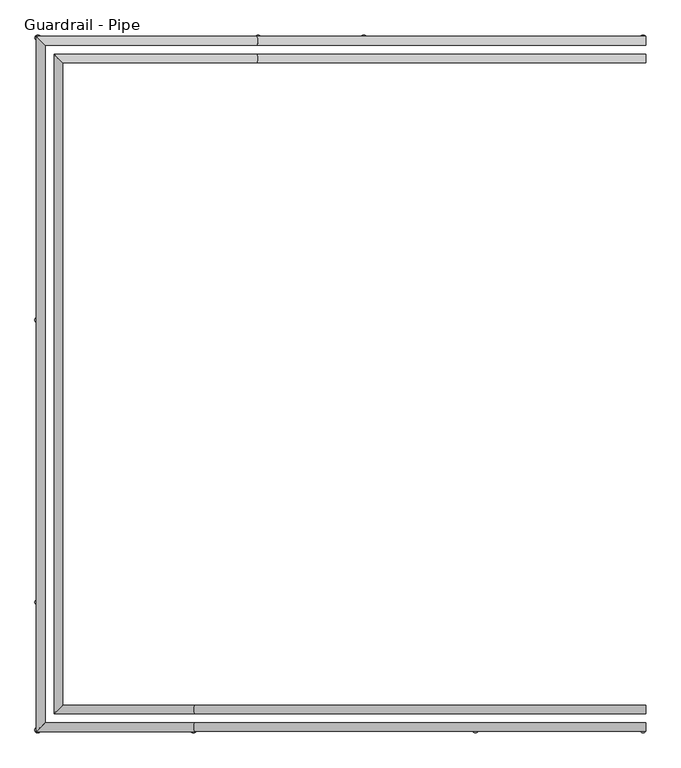
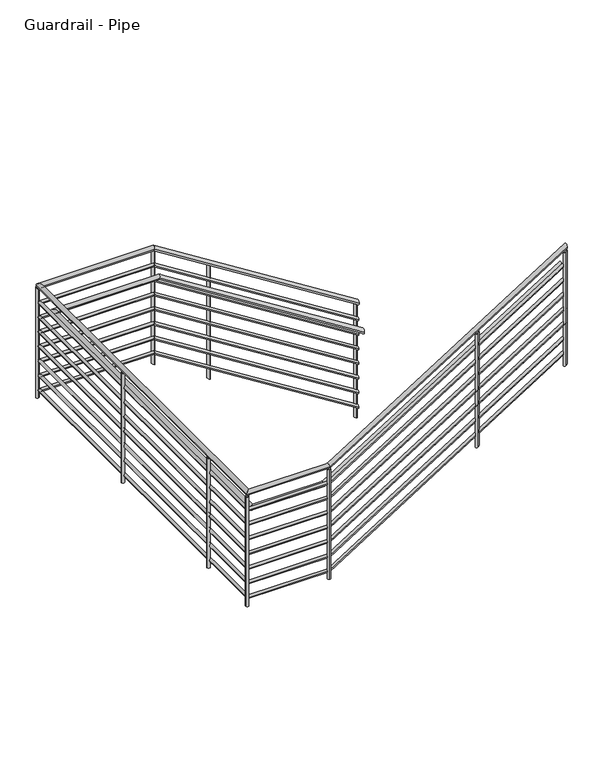
"""IFC4 building model written with IfcOpenShell, lengths in millimetres: railing geometry, Guardrail - Pipe."""

from ifc_helpers import new_model, si_unit, point, frame, frame_2d, origin, place, context, project, spatial, circle_curve, ellipse_curve, trimmed, segment, composite_curve, outline, extrude, source, transform, mapped, element, save
from ifc_brep_helpers import plane_surface, cylinder_surface, advanced_brep


def guardrail_pipe_dcdff0d4(model_context):
    return source(origin(), model_context, "Body", "SolidModel", [
        advanced_brep(
        [(42416.2404695, 56138.8027338, 1220.1372476), (42416.2404695, 56176.9027338, 1220.1372476), (40734.3446517, 56138.8027338, 2278.6730769), (40734.3446517, 56176.9027338, 2278.6730769), (39819.0904695, 56138.8027338, 2278.6730769), (39780.9904695, 56176.9027338, 2278.6730769), (39819.0904695, 53211.5729583, 2278.6730769), (39780.9904695, 53173.4729583, 2278.6730769), (40465.9362872, 53211.5729583, 2278.6730769), (40465.9362872, 53173.4729583, 2278.6730769), (42416.2404695, 53211.5729583, 3506.1372476), (42416.2404695, 53173.4729583, 3506.1372476)],
        [
            (0, 1, ellipse_curve(frame((42416.2404695, 56157.8527338, 1220.1372476), z_axis=(1.0, 0.0, 0.0), x_axis=(0.0, 0.0, -1.0)), 22.5089063, 19.05)),
            (1, 0, ellipse_curve(frame((42416.2404695, 56157.8527338, 1220.1372476), z_axis=(1.0, 0.0, 0.0), x_axis=(0.0, 0.0, -1.0)), 22.5089063, 19.05)),
            (0, 2),
            (2, 3, ellipse_curve(frame((40734.3446517, 56157.8527338, 2278.6730769), z_axis=(0.9608151901839626, 0.0, -0.27718977310094955), x_axis=(-0.27718977310094967, 0.0, -0.9608151901839624)), 19.8269138, 19.05)),
            (3, 1),
            (3, 2, ellipse_curve(frame((40734.3446517, 56157.8527338, 2278.6730769), z_axis=(0.9608151901839626, 0.0, -0.27718977310094955), x_axis=(-0.27718977310094967, 0.0, -0.9608151901839624)), 19.8269138, 19.05)),
            (2, 4),
            (4, 5, ellipse_curve(frame((39800.0404695, 56157.8527338, 2278.6730769), z_axis=(0.7071067811865475, 0.7071067811865475, 0.0), x_axis=(0.7071067811865476, -0.7071067811865474, 0.0)), 26.9407684, 19.05)),
            (5, 3),
            (5, 4, ellipse_curve(frame((39800.0404695, 56157.8527338, 2278.6730769), z_axis=(0.7071067811865475, 0.7071067811865475, 0.0), x_axis=(0.7071067811865476, -0.7071067811865474, 0.0)), 26.9407684, 19.05)),
            (4, 6),
            (6, 7, ellipse_curve(frame((39800.0404695, 53192.5229583, 2278.6730769), z_axis=(-0.7071067811865475, 0.7071067811865475, 0.0), x_axis=(0.7071067811865474, 0.7071067811865476, 0.0)), 26.9407684, 19.05)),
            (7, 5),
            (7, 6, ellipse_curve(frame((39800.0404695, 53192.5229583, 2278.6730769), z_axis=(-0.7071067811865475, 0.7071067811865475, 0.0), x_axis=(0.7071067811865474, 0.7071067811865476, 0.0)), 26.9407684, 19.05)),
            (6, 8),
            (8, 9, ellipse_curve(frame((40465.9362872, 53192.5229583, 2278.6730769), z_axis=(-0.9608151901839624, 0.0, -0.27718977310095), x_axis=(-0.2771897731009498, 0.0, 0.9608151901839626)), 19.8269138, 19.05)),
            (9, 7),
            (9, 8, ellipse_curve(frame((40465.9362872, 53192.5229583, 2278.6730769), z_axis=(-0.9608151901839624, 0.0, -0.27718977310095), x_axis=(-0.2771897731009498, 0.0, 0.9608151901839626)), 19.8269138, 19.05)),
            (10, 11, ellipse_curve(frame((42416.2404695, 53192.5229583, 3506.1372476), z_axis=(1.0, 0.0, 0.0), x_axis=(0.0, 0.0, -1.0)), 22.5089063, 19.05)),
            (11, 10, ellipse_curve(frame((42416.2404695, 53192.5229583, 3506.1372476), z_axis=(1.0, 0.0, 0.0), x_axis=(0.0, 0.0, -1.0)), 22.5089063, 19.05)),
            (8, 10),
            (11, 9),
        ],
        [
            plane_surface(frame((42416.2404695, 56157.8527338, 1242.6461538), z_axis=(1.0, 0.0, 0.0), x_axis=(0.0, -1.0, 0.0))),
            cylinder_surface(frame((42406.0933672, 56157.8527338, 1226.5235357), z_axis=(0.8463316593764881, 0.0, -0.5326562891180767), x_axis=(0.0, 1.0, 0.0)), 19.05),
            cylinder_surface(frame((40739.8404695, 56157.8527338, 2278.6730769), z_axis=(1.0, 0.0, 0.0), x_axis=(0.0, 1.0, 0.0)), 19.05),
            cylinder_surface(frame((39800.0404695, 56157.8527338, 2278.6730769), z_axis=(0.0, 1.0, 0.0), x_axis=(-1.0, 0.0, 0.0)), 19.05),
            cylinder_surface(frame((39800.0404695, 53192.5229583, 2278.6730769), z_axis=(-1.0, 0.0, 0.0), x_axis=(0.0, -1.0, 0.0)), 19.05),
            plane_surface(frame((42416.2404695, 53192.5229583, 3528.6461538), z_axis=(1.0, 0.0, 0.0), x_axis=(0.0, 1.0, 0.0))),
            cylinder_surface(frame((40470.5875718, 53192.5229583, 2281.6004588), z_axis=(-0.8463316593764877, 0.0, -0.5326562891180774), x_axis=(0.0, -1.0, 0.0)), 19.05),
        ],
        [
            (0, [[1, 2]]),
            (1, [[-1, 3, 4, 5]]),
            (1, [[-2, -5, 6, -3]]),
            (2, [[-4, 7, 8, 9]]),
            (2, [[-6, -9, 10, -7]]),
            (3, [[-8, 11, 12, 13]]),
            (3, [[-10, -13, 14, -11]]),
            (4, [[-12, 15, 16, 17]]),
            (4, [[-14, -17, 18, -15]]),
            (5, [[19, 20]]),
            (6, [[-16, 21, -20, 22]]),
            (6, [[-18, -22, -19, -21]]),
        ],
    ),
        advanced_brep(
        [(42416.2404695, 56145.1527338, 1075.2402163), (42416.2404695, 56170.5527338, 1075.2402163), (40736.176591, 56145.1527338, 2132.6230769), (40736.176591, 56170.5527338, 2132.6230769), (39812.7404695, 56145.1527338, 2132.6230769), (39787.3404695, 56170.5527338, 2132.6230769), (39812.7404695, 53205.2229583, 2132.6230769), (39787.3404695, 53179.8229583, 2132.6230769), (40464.104348, 53205.2229583, 2132.6230769), (40464.104348, 53179.8229583, 2132.6230769), (42416.2404695, 53205.2229583, 3361.2402163), (42416.2404695, 53179.8229583, 3361.2402163)],
        [
            (0, 1, ellipse_curve(frame((42416.2404695, 56157.8527338, 1075.2402163), z_axis=(1.0, 0.0, 0.0), x_axis=(0.0, 0.0, -1.0)), 15.0059375, 12.7)),
            (1, 0, ellipse_curve(frame((42416.2404695, 56157.8527338, 1075.2402163), z_axis=(1.0, 0.0, 0.0), x_axis=(0.0, 0.0, -1.0)), 15.0059375, 12.7)),
            (0, 2),
            (2, 3, ellipse_curve(frame((40736.176591, 56157.8527338, 2132.6230769), z_axis=(0.9608151901839626, 0.0, -0.27718977310094955), x_axis=(-0.27718977310094967, 0.0, -0.9608151901839624)), 13.2179426, 12.7)),
            (3, 1),
            (3, 2, ellipse_curve(frame((40736.176591, 56157.8527338, 2132.6230769), z_axis=(0.9608151901839626, 0.0, -0.27718977310094955), x_axis=(-0.27718977310094967, 0.0, -0.9608151901839624)), 13.2179426, 12.7)),
            (2, 4),
            (4, 5, ellipse_curve(frame((39800.0404695, 56157.8527338, 2132.6230769), z_axis=(0.7071067811865475, 0.7071067811865475, 0.0), x_axis=(0.7071067811865476, -0.7071067811865474, 0.0)), 17.9605122, 12.7)),
            (5, 3),
            (5, 4, ellipse_curve(frame((39800.0404695, 56157.8527338, 2132.6230769), z_axis=(0.7071067811865475, 0.7071067811865475, 0.0), x_axis=(0.7071067811865476, -0.7071067811865474, 0.0)), 17.9605122, 12.7)),
            (4, 6),
            (6, 7, ellipse_curve(frame((39800.0404695, 53192.5229583, 2132.6230769), z_axis=(-0.7071067811865475, 0.7071067811865475, 0.0), x_axis=(0.7071067811865474, 0.7071067811865476, 0.0)), 17.9605122, 12.7)),
            (7, 5),
            (7, 6, ellipse_curve(frame((39800.0404695, 53192.5229583, 2132.6230769), z_axis=(-0.7071067811865475, 0.7071067811865475, 0.0), x_axis=(0.7071067811865474, 0.7071067811865476, 0.0)), 17.9605122, 12.7)),
            (6, 8),
            (8, 9, ellipse_curve(frame((40464.104348, 53192.5229583, 2132.6230769), z_axis=(-0.9608151901839624, 0.0, -0.27718977310095), x_axis=(-0.2771897731009498, 0.0, 0.9608151901839626)), 13.2179426, 12.7)),
            (9, 7),
            (9, 8, ellipse_curve(frame((40464.104348, 53192.5229583, 2132.6230769), z_axis=(-0.9608151901839624, 0.0, -0.27718977310095), x_axis=(-0.2771897731009498, 0.0, 0.9608151901839626)), 13.2179426, 12.7)),
            (10, 11, ellipse_curve(frame((42416.2404695, 53192.5229583, 3361.2402163), z_axis=(1.0, 0.0, 0.0), x_axis=(0.0, 0.0, -1.0)), 15.0059375, 12.7)),
            (11, 10, ellipse_curve(frame((42416.2404695, 53192.5229583, 3361.2402163), z_axis=(1.0, 0.0, 0.0), x_axis=(0.0, 0.0, -1.0)), 15.0059375, 12.7)),
            (8, 10),
            (11, 9),
        ],
        [
            plane_surface(frame((42416.2404695, 56157.8527338, 1090.2461538), z_axis=(1.0, 0.0, 0.0), x_axis=(0.0, -1.0, 0.0))),
            cylinder_surface(frame((42409.4757346, 56157.8527338, 1079.4977418), z_axis=(0.8463316593764881, 0.0, -0.5326562891180767), x_axis=(0.0, 1.0, 0.0)), 12.7),
            cylinder_surface(frame((40739.8404695, 56157.8527338, 2132.6230769), z_axis=(1.0, 0.0, 0.0), x_axis=(0.0, 1.0, 0.0)), 12.7),
            cylinder_surface(frame((39800.0404695, 56157.8527338, 2132.6230769), z_axis=(0.0, 1.0, 0.0), x_axis=(-1.0, 0.0, 0.0)), 12.7),
            cylinder_surface(frame((39800.0404695, 53192.5229583, 2132.6230769), z_axis=(-1.0, 0.0, 0.0), x_axis=(0.0, -1.0, 0.0)), 12.7),
            plane_surface(frame((42416.2404695, 53192.5229583, 3376.2461538), z_axis=(1.0, 0.0, 0.0), x_axis=(0.0, 1.0, 0.0))),
            cylinder_surface(frame((40467.2052043, 53192.5229583, 2134.5746648), z_axis=(-0.8463316593764877, 0.0, -0.5326562891180774), x_axis=(0.0, -1.0, 0.0)), 12.7),
        ],
        [
            (0, [[1, 2]]),
            (1, [[-1, 3, 4, 5]]),
            (1, [[-2, -5, 6, -3]]),
            (2, [[-4, 7, 8, 9]]),
            (2, [[-6, -9, 10, -7]]),
            (3, [[-8, 11, 12, 13]]),
            (3, [[-10, -13, 14, -11]]),
            (4, [[-12, 15, 16, 17]]),
            (4, [[-14, -17, 18, -15]]),
            (5, [[19, 20]]),
            (6, [[-16, 21, -20, 22]]),
            (6, [[-18, -22, -19, -21]]),
        ],
    ),
        advanced_brep(
        [(42416.2404695, 56062.6027338, 1016.9372476), (42416.2404695, 56100.7027338, 1016.9372476), (40734.3446517, 56062.6027338, 2075.4730769), (40734.3446517, 56100.7027338, 2075.4730769), (39895.2904695, 56062.6027338, 2075.4730769), (39857.1904695, 56100.7027338, 2075.4730769), (39895.2904695, 53287.7729583, 2075.4730769), (39857.1904695, 53249.6729583, 2075.4730769), (40465.9362872, 53287.7729583, 2075.4730769), (40465.9362872, 53249.6729583, 2075.4730769), (42416.2404695, 53287.7729583, 3302.9372476), (42416.2404695, 53249.6729583, 3302.9372476)],
        [
            (0, 1, ellipse_curve(frame((42416.2404695, 56081.6527338, 1016.9372476), z_axis=(1.0, 0.0, 0.0), x_axis=(0.0, 0.0, -1.0)), 22.5089063, 19.05)),
            (1, 0, ellipse_curve(frame((42416.2404695, 56081.6527338, 1016.9372476), z_axis=(1.0, 0.0, 0.0), x_axis=(0.0, 0.0, -1.0)), 22.5089063, 19.05)),
            (0, 2),
            (2, 3, ellipse_curve(frame((40734.3446517, 56081.6527338, 2075.4730769), z_axis=(0.9608151901839626, 0.0, -0.27718977310094967), x_axis=(-0.2771897731009501, 0.0, -0.9608151901839626)), 19.8269138, 19.05)),
            (3, 1),
            (3, 2, ellipse_curve(frame((40734.3446517, 56081.6527338, 2075.4730769), z_axis=(0.9608151901839626, 0.0, -0.27718977310094967), x_axis=(-0.2771897731009501, 0.0, -0.9608151901839626)), 19.8269138, 19.05)),
            (2, 4),
            (4, 5, ellipse_curve(frame((39876.2404695, 56081.6527338, 2075.4730769), z_axis=(0.7071067811865475, 0.7071067811865475, 0.0), x_axis=(0.7071067811865476, -0.7071067811865474, 0.0)), 26.9407684, 19.05)),
            (5, 3),
            (5, 4, ellipse_curve(frame((39876.2404695, 56081.6527338, 2075.4730769), z_axis=(0.7071067811865475, 0.7071067811865475, 0.0), x_axis=(0.7071067811865476, -0.7071067811865474, 0.0)), 26.9407684, 19.05)),
            (4, 6),
            (6, 7, ellipse_curve(frame((39876.2404695, 53268.7229583, 2075.4730769), z_axis=(-0.7071067811865475, 0.7071067811865475, 0.0), x_axis=(0.7071067811865474, 0.7071067811865476, 0.0)), 26.9407684, 19.05)),
            (7, 5),
            (7, 6, ellipse_curve(frame((39876.2404695, 53268.7229583, 2075.4730769), z_axis=(-0.7071067811865475, 0.7071067811865475, 0.0), x_axis=(0.7071067811865474, 0.7071067811865476, 0.0)), 26.9407684, 19.05)),
            (6, 8),
            (8, 9, ellipse_curve(frame((40465.9362872, 53268.7229583, 2075.4730769), z_axis=(-0.9608151901839624, 0.0, -0.27718977310095), x_axis=(-0.2771897731009498, 0.0, 0.9608151901839626)), 19.8269138, 19.05)),
            (9, 7),
            (9, 8, ellipse_curve(frame((40465.9362872, 53268.7229583, 2075.4730769), z_axis=(-0.9608151901839624, 0.0, -0.27718977310095), x_axis=(-0.2771897731009498, 0.0, 0.9608151901839626)), 19.8269138, 19.05)),
            (10, 11, ellipse_curve(frame((42416.2404695, 53268.7229583, 3302.9372476), z_axis=(1.0, 0.0, 0.0), x_axis=(0.0, 0.0, -1.0)), 22.5089063, 19.05)),
            (11, 10, ellipse_curve(frame((42416.2404695, 53268.7229583, 3302.9372476), z_axis=(1.0, 0.0, 0.0), x_axis=(0.0, 0.0, -1.0)), 22.5089063, 19.05)),
            (8, 10),
            (11, 9),
        ],
        [
            plane_surface(frame((42416.2404695, 56081.6527338, 1039.4461538), z_axis=(1.0, 0.0, 0.0), x_axis=(0.0, -1.0, 0.0))),
            cylinder_surface(frame((42406.0933672, 56081.6527338, 1023.3235357), z_axis=(0.8463316593764881, 0.0, -0.5326562891180768), x_axis=(0.0, 1.0, 0.0)), 19.05),
            cylinder_surface(frame((40739.8404695, 56081.6527338, 2075.4730769), z_axis=(1.0, 0.0, 0.0), x_axis=(0.0, 1.0, 0.0)), 19.05),
            cylinder_surface(frame((39876.2404695, 56081.6527338, 2075.4730769), z_axis=(0.0, 1.0, 0.0), x_axis=(-1.0, 0.0, 0.0)), 19.05),
            cylinder_surface(frame((39876.2404695, 53268.7229583, 2075.4730769), z_axis=(-1.0, 0.0, 0.0), x_axis=(0.0, -1.0, 0.0)), 19.05),
            plane_surface(frame((42416.2404695, 53268.7229583, 3325.4461538), z_axis=(1.0, 0.0, 0.0), x_axis=(0.0, 1.0, 0.0))),
            cylinder_surface(frame((40470.5875718, 53268.7229583, 2078.4004588), z_axis=(-0.8463316593764877, 0.0, -0.5326562891180774), x_axis=(0.0, -1.0, 0.0)), 19.05),
        ],
        [
            (0, [[1, 2]]),
            (1, [[-1, 3, 4, 5]]),
            (1, [[-2, -5, 6, -3]]),
            (2, [[-4, 7, 8, 9]]),
            (2, [[-6, -9, 10, -7]]),
            (3, [[-8, 11, 12, 13]]),
            (3, [[-10, -13, 14, -11]]),
            (4, [[-12, 15, 16, 17]]),
            (4, [[-14, -17, 18, -15]]),
            (5, [[19, 20]]),
            (6, [[-16, 21, -20, 22]]),
            (6, [[-18, -22, -19, -21]]),
        ],
    ),
        advanced_brep(
        [(42416.2404695, 56145.1527338, 948.2402163), (42416.2404695, 56170.5527338, 948.2402163), (40736.176591, 56145.1527338, 2005.6230769), (40736.176591, 56170.5527338, 2005.6230769), (39812.7404695, 56145.1527338, 2005.6230769), (39787.3404695, 56170.5527338, 2005.6230769), (39812.7404695, 53205.2229583, 2005.6230769), (39787.3404695, 53179.8229583, 2005.6230769), (40464.104348, 53205.2229583, 2005.6230769), (40464.104348, 53179.8229583, 2005.6230769), (42416.2404695, 53205.2229583, 3234.2402163), (42416.2404695, 53179.8229583, 3234.2402163)],
        [
            (0, 1, ellipse_curve(frame((42416.2404695, 56157.8527338, 948.2402163), z_axis=(1.0, 0.0, 0.0), x_axis=(0.0, 0.0, -1.0)), 15.0059375, 12.7)),
            (1, 0, ellipse_curve(frame((42416.2404695, 56157.8527338, 948.2402163), z_axis=(1.0, 0.0, 0.0), x_axis=(0.0, 0.0, -1.0)), 15.0059375, 12.7)),
            (0, 2),
            (2, 3, ellipse_curve(frame((40736.176591, 56157.8527338, 2005.6230769), z_axis=(0.9608151901839626, 0.0, -0.27718977310094967), x_axis=(-0.2771897731009501, 0.0, -0.9608151901839626)), 13.2179426, 12.7)),
            (3, 1),
            (3, 2, ellipse_curve(frame((40736.176591, 56157.8527338, 2005.6230769), z_axis=(0.9608151901839626, 0.0, -0.27718977310094967), x_axis=(-0.2771897731009501, 0.0, -0.9608151901839626)), 13.2179426, 12.7)),
            (2, 4),
            (4, 5, ellipse_curve(frame((39800.0404695, 56157.8527338, 2005.6230769), z_axis=(0.7071067811865475, 0.7071067811865475, 0.0), x_axis=(0.7071067811865476, -0.7071067811865474, 0.0)), 17.9605122, 12.7)),
            (5, 3),
            (5, 4, ellipse_curve(frame((39800.0404695, 56157.8527338, 2005.6230769), z_axis=(0.7071067811865475, 0.7071067811865475, 0.0), x_axis=(0.7071067811865476, -0.7071067811865474, 0.0)), 17.9605122, 12.7)),
            (4, 6),
            (6, 7, ellipse_curve(frame((39800.0404695, 53192.5229583, 2005.6230769), z_axis=(-0.7071067811865475, 0.7071067811865475, 0.0), x_axis=(0.7071067811865474, 0.7071067811865476, 0.0)), 17.9605122, 12.7)),
            (7, 5),
            (7, 6, ellipse_curve(frame((39800.0404695, 53192.5229583, 2005.6230769), z_axis=(-0.7071067811865475, 0.7071067811865475, 0.0), x_axis=(0.7071067811865474, 0.7071067811865476, 0.0)), 17.9605122, 12.7)),
            (6, 8),
            (8, 9, ellipse_curve(frame((40464.104348, 53192.5229583, 2005.6230769), z_axis=(-0.9608151901839624, 0.0, -0.27718977310095), x_axis=(-0.2771897731009498, 0.0, 0.9608151901839626)), 13.2179426, 12.7)),
            (9, 7),
            (9, 8, ellipse_curve(frame((40464.104348, 53192.5229583, 2005.6230769), z_axis=(-0.9608151901839624, 0.0, -0.27718977310095), x_axis=(-0.2771897731009498, 0.0, 0.9608151901839626)), 13.2179426, 12.7)),
            (10, 11, ellipse_curve(frame((42416.2404695, 53192.5229583, 3234.2402163), z_axis=(1.0, 0.0, 0.0), x_axis=(0.0, 0.0, -1.0)), 15.0059375, 12.7)),
            (11, 10, ellipse_curve(frame((42416.2404695, 53192.5229583, 3234.2402163), z_axis=(1.0, 0.0, 0.0), x_axis=(0.0, 0.0, -1.0)), 15.0059375, 12.7)),
            (8, 10),
            (11, 9),
        ],
        [
            plane_surface(frame((42416.2404695, 56157.8527338, 963.2461538), z_axis=(1.0, 0.0, 0.0), x_axis=(0.0, -1.0, 0.0))),
            cylinder_surface(frame((42409.4757346, 56157.8527338, 952.4977418), z_axis=(0.8463316593764881, 0.0, -0.5326562891180768), x_axis=(0.0, 1.0, 0.0)), 12.7),
            cylinder_surface(frame((40739.8404695, 56157.8527338, 2005.6230769), z_axis=(1.0, 0.0, 0.0), x_axis=(0.0, 1.0, 0.0)), 12.7),
            cylinder_surface(frame((39800.0404695, 56157.8527338, 2005.6230769), z_axis=(0.0, 1.0, 0.0), x_axis=(-1.0, 0.0, 0.0)), 12.7),
            cylinder_surface(frame((39800.0404695, 53192.5229583, 2005.6230769), z_axis=(-1.0, 0.0, 0.0), x_axis=(0.0, -1.0, 0.0)), 12.7),
            plane_surface(frame((42416.2404695, 53192.5229583, 3249.2461538), z_axis=(1.0, 0.0, 0.0), x_axis=(0.0, 1.0, 0.0))),
            cylinder_surface(frame((40467.2052043, 53192.5229583, 2007.5746648), z_axis=(-0.8463316593764877, 0.0, -0.5326562891180774), x_axis=(0.0, -1.0, 0.0)), 12.7),
        ],
        [
            (0, [[1, 2]]),
            (1, [[-1, 3, 4, 5]]),
            (1, [[-2, -5, 6, -3]]),
            (2, [[-4, 7, 8, 9]]),
            (2, [[-6, -9, 10, -7]]),
            (3, [[-8, 11, 12, 13]]),
            (3, [[-10, -13, 14, -11]]),
            (4, [[-12, 15, 16, 17]]),
            (4, [[-14, -17, 18, -15]]),
            (5, [[19, 20]]),
            (6, [[-16, 21, -20, 22]]),
            (6, [[-18, -22, -19, -21]]),
        ],
    ),
        advanced_brep(
        [(42416.2404695, 56145.1527338, 821.2402163), (42416.2404695, 56170.5527338, 821.2402163), (40736.176591, 56145.1527338, 1878.6230769), (40736.176591, 56170.5527338, 1878.6230769), (39812.7404695, 56145.1527338, 1878.6230769), (39787.3404695, 56170.5527338, 1878.6230769), (39812.7404695, 53205.2229583, 1878.6230769), (39787.3404695, 53179.8229583, 1878.6230769), (40464.104348, 53205.2229583, 1878.6230769), (40464.104348, 53179.8229583, 1878.6230769), (42416.2404695, 53205.2229583, 3107.2402163), (42416.2404695, 53179.8229583, 3107.2402163)],
        [
            (0, 1, ellipse_curve(frame((42416.2404695, 56157.8527338, 821.2402163), z_axis=(1.0, 0.0, 0.0), x_axis=(0.0, 0.0, -1.0)), 15.0059375, 12.7)),
            (1, 0, ellipse_curve(frame((42416.2404695, 56157.8527338, 821.2402163), z_axis=(1.0, 0.0, 0.0), x_axis=(0.0, 0.0, -1.0)), 15.0059375, 12.7)),
            (0, 2),
            (2, 3, ellipse_curve(frame((40736.176591, 56157.8527338, 1878.6230769), z_axis=(0.9608151901839626, 0.0, -0.27718977310094955), x_axis=(-0.27718977310094967, 0.0, -0.9608151901839624)), 13.2179426, 12.7)),
            (3, 1),
            (3, 2, ellipse_curve(frame((40736.176591, 56157.8527338, 1878.6230769), z_axis=(0.9608151901839626, 0.0, -0.27718977310094955), x_axis=(-0.27718977310094967, 0.0, -0.9608151901839624)), 13.2179426, 12.7)),
            (2, 4),
            (4, 5, ellipse_curve(frame((39800.0404695, 56157.8527338, 1878.6230769), z_axis=(0.7071067811865475, 0.7071067811865475, 0.0), x_axis=(0.7071067811865476, -0.7071067811865474, 0.0)), 17.9605122, 12.7)),
            (5, 3),
            (5, 4, ellipse_curve(frame((39800.0404695, 56157.8527338, 1878.6230769), z_axis=(0.7071067811865475, 0.7071067811865475, 0.0), x_axis=(0.7071067811865476, -0.7071067811865474, 0.0)), 17.9605122, 12.7)),
            (4, 6),
            (6, 7, ellipse_curve(frame((39800.0404695, 53192.5229583, 1878.6230769), z_axis=(-0.7071067811865475, 0.7071067811865475, 0.0), x_axis=(0.7071067811865474, 0.7071067811865476, 0.0)), 17.9605122, 12.7)),
            (7, 5),
            (7, 6, ellipse_curve(frame((39800.0404695, 53192.5229583, 1878.6230769), z_axis=(-0.7071067811865475, 0.7071067811865475, 0.0), x_axis=(0.7071067811865474, 0.7071067811865476, 0.0)), 17.9605122, 12.7)),
            (6, 8),
            (8, 9, ellipse_curve(frame((40464.104348, 53192.5229583, 1878.6230769), z_axis=(-0.9608151901839624, 0.0, -0.27718977310095), x_axis=(-0.2771897731009498, 0.0, 0.9608151901839626)), 13.2179426, 12.7)),
            (9, 7),
            (9, 8, ellipse_curve(frame((40464.104348, 53192.5229583, 1878.6230769), z_axis=(-0.9608151901839624, 0.0, -0.27718977310095), x_axis=(-0.2771897731009498, 0.0, 0.9608151901839626)), 13.2179426, 12.7)),
            (10, 11, ellipse_curve(frame((42416.2404695, 53192.5229583, 3107.2402163), z_axis=(1.0, 0.0, 0.0), x_axis=(0.0, 0.0, -1.0)), 15.0059375, 12.7)),
            (11, 10, ellipse_curve(frame((42416.2404695, 53192.5229583, 3107.2402163), z_axis=(1.0, 0.0, 0.0), x_axis=(0.0, 0.0, -1.0)), 15.0059375, 12.7)),
            (8, 10),
            (11, 9),
        ],
        [
            plane_surface(frame((42416.2404695, 56157.8527338, 836.2461538), z_axis=(1.0, 0.0, 0.0), x_axis=(0.0, -1.0, 0.0))),
            cylinder_surface(frame((42409.4757346, 56157.8527338, 825.4977418), z_axis=(0.8463316593764881, 0.0, -0.5326562891180767), x_axis=(0.0, 1.0, 0.0)), 12.7),
            cylinder_surface(frame((40739.8404695, 56157.8527338, 1878.6230769), z_axis=(1.0, 0.0, 0.0), x_axis=(0.0, 1.0, 0.0)), 12.7),
            cylinder_surface(frame((39800.0404695, 56157.8527338, 1878.6230769), z_axis=(0.0, 1.0, 0.0), x_axis=(-1.0, 0.0, 0.0)), 12.7),
            cylinder_surface(frame((39800.0404695, 53192.5229583, 1878.6230769), z_axis=(-1.0, 0.0, 0.0), x_axis=(0.0, -1.0, 0.0)), 12.7),
            plane_surface(frame((42416.2404695, 53192.5229583, 3122.2461538), z_axis=(1.0, 0.0, 0.0), x_axis=(0.0, 1.0, 0.0))),
            cylinder_surface(frame((40467.2052043, 53192.5229583, 1880.5746648), z_axis=(-0.8463316593764877, 0.0, -0.5326562891180774), x_axis=(0.0, -1.0, 0.0)), 12.7),
        ],
        [
            (0, [[1, 2]]),
            (1, [[-1, 3, 4, 5]]),
            (1, [[-2, -5, 6, -3]]),
            (2, [[-4, 7, 8, 9]]),
            (2, [[-6, -9, 10, -7]]),
            (3, [[-8, 11, 12, 13]]),
            (3, [[-10, -13, 14, -11]]),
            (4, [[-12, 15, 16, 17]]),
            (4, [[-14, -17, 18, -15]]),
            (5, [[19, 20]]),
            (6, [[-16, 21, -20, 22]]),
            (6, [[-18, -22, -19, -21]]),
        ],
    ),
        advanced_brep(
        [(42416.2404695, 56145.1527338, 694.2402163), (42416.2404695, 56170.5527338, 694.2402163), (40736.176591, 56145.1527338, 1751.6230769), (40736.176591, 56170.5527338, 1751.6230769), (39812.7404695, 56145.1527338, 1751.6230769), (39787.3404695, 56170.5527338, 1751.6230769), (39812.7404695, 53205.2229583, 1751.6230769), (39787.3404695, 53179.8229583, 1751.6230769), (40464.104348, 53205.2229583, 1751.6230769), (40464.104348, 53179.8229583, 1751.6230769), (42416.2404695, 53205.2229583, 2980.2402163), (42416.2404695, 53179.8229583, 2980.2402163)],
        [
            (0, 1, ellipse_curve(frame((42416.2404695, 56157.8527338, 694.2402163), z_axis=(1.0, 0.0, 0.0), x_axis=(0.0, 0.0, -1.0)), 15.0059375, 12.7)),
            (1, 0, ellipse_curve(frame((42416.2404695, 56157.8527338, 694.2402163), z_axis=(1.0, 0.0, 0.0), x_axis=(0.0, 0.0, -1.0)), 15.0059375, 12.7)),
            (0, 2),
            (2, 3, ellipse_curve(frame((40736.176591, 56157.8527338, 1751.6230769), z_axis=(0.9608151901839626, 0.0, -0.27718977310094955), x_axis=(-0.27718977310094967, 0.0, -0.9608151901839624)), 13.2179426, 12.7)),
            (3, 1),
            (3, 2, ellipse_curve(frame((40736.176591, 56157.8527338, 1751.6230769), z_axis=(0.9608151901839626, 0.0, -0.27718977310094955), x_axis=(-0.27718977310094967, 0.0, -0.9608151901839624)), 13.2179426, 12.7)),
            (2, 4),
            (4, 5, ellipse_curve(frame((39800.0404695, 56157.8527338, 1751.6230769), z_axis=(0.7071067811865475, 0.7071067811865475, 0.0), x_axis=(0.7071067811865476, -0.7071067811865474, 0.0)), 17.9605122, 12.7)),
            (5, 3),
            (5, 4, ellipse_curve(frame((39800.0404695, 56157.8527338, 1751.6230769), z_axis=(0.7071067811865475, 0.7071067811865475, 0.0), x_axis=(0.7071067811865476, -0.7071067811865474, 0.0)), 17.9605122, 12.7)),
            (4, 6),
            (6, 7, ellipse_curve(frame((39800.0404695, 53192.5229583, 1751.6230769), z_axis=(-0.7071067811865475, 0.7071067811865475, 0.0), x_axis=(0.7071067811865474, 0.7071067811865476, 0.0)), 17.9605122, 12.7)),
            (7, 5),
            (7, 6, ellipse_curve(frame((39800.0404695, 53192.5229583, 1751.6230769), z_axis=(-0.7071067811865475, 0.7071067811865475, 0.0), x_axis=(0.7071067811865474, 0.7071067811865476, 0.0)), 17.9605122, 12.7)),
            (6, 8),
            (8, 9, ellipse_curve(frame((40464.104348, 53192.5229583, 1751.6230769), z_axis=(-0.9608151901839624, 0.0, -0.27718977310095), x_axis=(-0.2771897731009498, 0.0, 0.9608151901839626)), 13.2179426, 12.7)),
            (9, 7),
            (9, 8, ellipse_curve(frame((40464.104348, 53192.5229583, 1751.6230769), z_axis=(-0.9608151901839624, 0.0, -0.27718977310095), x_axis=(-0.2771897731009498, 0.0, 0.9608151901839626)), 13.2179426, 12.7)),
            (10, 11, ellipse_curve(frame((42416.2404695, 53192.5229583, 2980.2402163), z_axis=(1.0, 0.0, 0.0), x_axis=(0.0, 0.0, -1.0)), 15.0059375, 12.7)),
            (11, 10, ellipse_curve(frame((42416.2404695, 53192.5229583, 2980.2402163), z_axis=(1.0, 0.0, 0.0), x_axis=(0.0, 0.0, -1.0)), 15.0059375, 12.7)),
            (8, 10),
            (11, 9),
        ],
        [
            plane_surface(frame((42416.2404695, 56157.8527338, 709.2461538), z_axis=(1.0, 0.0, 0.0), x_axis=(0.0, -1.0, 0.0))),
            cylinder_surface(frame((42409.4757346, 56157.8527338, 698.4977418), z_axis=(0.8463316593764881, 0.0, -0.5326562891180767), x_axis=(0.0, 1.0, 0.0)), 12.7),
            cylinder_surface(frame((40739.8404695, 56157.8527338, 1751.6230769), z_axis=(1.0, 0.0, 0.0), x_axis=(0.0, 1.0, 0.0)), 12.7),
            cylinder_surface(frame((39800.0404695, 56157.8527338, 1751.6230769), z_axis=(0.0, 1.0, 0.0), x_axis=(-1.0, 0.0, 0.0)), 12.7),
            cylinder_surface(frame((39800.0404695, 53192.5229583, 1751.6230769), z_axis=(-1.0, 0.0, 0.0), x_axis=(0.0, -1.0, 0.0)), 12.7),
            plane_surface(frame((42416.2404695, 53192.5229583, 2995.2461538), z_axis=(1.0, 0.0, 0.0), x_axis=(0.0, 1.0, 0.0))),
            cylinder_surface(frame((40467.2052043, 53192.5229583, 1753.5746648), z_axis=(-0.8463316593764877, 0.0, -0.5326562891180774), x_axis=(0.0, -1.0, 0.0)), 12.7),
        ],
        [
            (0, [[1, 2]]),
            (1, [[-1, 3, 4, 5]]),
            (1, [[-2, -5, 6, -3]]),
            (2, [[-4, 7, 8, 9]]),
            (2, [[-6, -9, 10, -7]]),
            (3, [[-8, 11, 12, 13]]),
            (3, [[-10, -13, 14, -11]]),
            (4, [[-12, 15, 16, 17]]),
            (4, [[-14, -17, 18, -15]]),
            (5, [[19, 20]]),
            (6, [[-16, 21, -20, 22]]),
            (6, [[-18, -22, -19, -21]]),
        ],
    ),
        advanced_brep(
        [(42416.2404695, 56145.1527338, 567.2402163), (42416.2404695, 56170.5527338, 567.2402163), (40736.176591, 56145.1527338, 1624.6230769), (40736.176591, 56170.5527338, 1624.6230769), (39812.7404695, 56145.1527338, 1624.6230769), (39787.3404695, 56170.5527338, 1624.6230769), (39812.7404695, 53205.2229583, 1624.6230769), (39787.3404695, 53179.8229583, 1624.6230769), (40464.104348, 53205.2229583, 1624.6230769), (40464.104348, 53179.8229583, 1624.6230769), (42416.2404695, 53205.2229583, 2853.2402163), (42416.2404695, 53179.8229583, 2853.2402163)],
        [
            (0, 1, ellipse_curve(frame((42416.2404695, 56157.8527338, 567.2402163), z_axis=(1.0, 0.0, 0.0), x_axis=(0.0, 0.0, -1.0)), 15.0059375, 12.7)),
            (1, 0, ellipse_curve(frame((42416.2404695, 56157.8527338, 567.2402163), z_axis=(1.0, 0.0, 0.0), x_axis=(0.0, 0.0, -1.0)), 15.0059375, 12.7)),
            (0, 2),
            (2, 3, ellipse_curve(frame((40736.176591, 56157.8527338, 1624.6230769), z_axis=(0.9608151901839626, 0.0, -0.27718977310094955), x_axis=(-0.27718977310094967, 0.0, -0.9608151901839624)), 13.2179426, 12.7)),
            (3, 1),
            (3, 2, ellipse_curve(frame((40736.176591, 56157.8527338, 1624.6230769), z_axis=(0.9608151901839626, 0.0, -0.27718977310094955), x_axis=(-0.27718977310094967, 0.0, -0.9608151901839624)), 13.2179426, 12.7)),
            (2, 4),
            (4, 5, ellipse_curve(frame((39800.0404695, 56157.8527338, 1624.6230769), z_axis=(0.7071067811865475, 0.7071067811865475, 0.0), x_axis=(0.7071067811865476, -0.7071067811865474, 0.0)), 17.9605122, 12.7)),
            (5, 3),
            (5, 4, ellipse_curve(frame((39800.0404695, 56157.8527338, 1624.6230769), z_axis=(0.7071067811865475, 0.7071067811865475, 0.0), x_axis=(0.7071067811865476, -0.7071067811865474, 0.0)), 17.9605122, 12.7)),
            (4, 6),
            (6, 7, ellipse_curve(frame((39800.0404695, 53192.5229583, 1624.6230769), z_axis=(-0.7071067811865475, 0.7071067811865475, 0.0), x_axis=(0.7071067811865474, 0.7071067811865476, 0.0)), 17.9605122, 12.7)),
            (7, 5),
            (7, 6, ellipse_curve(frame((39800.0404695, 53192.5229583, 1624.6230769), z_axis=(-0.7071067811865475, 0.7071067811865475, 0.0), x_axis=(0.7071067811865474, 0.7071067811865476, 0.0)), 17.9605122, 12.7)),
            (6, 8),
            (8, 9, ellipse_curve(frame((40464.104348, 53192.5229583, 1624.6230769), z_axis=(-0.9608151901839623, 0.0, -0.2771897731009501), x_axis=(-0.2771897731009504, 0.0, 0.9608151901839621)), 13.2179426, 12.7)),
            (9, 7),
            (9, 8, ellipse_curve(frame((40464.104348, 53192.5229583, 1624.6230769), z_axis=(-0.9608151901839623, 0.0, -0.2771897731009501), x_axis=(-0.2771897731009504, 0.0, 0.9608151901839621)), 13.2179426, 12.7)),
            (10, 11, ellipse_curve(frame((42416.2404695, 53192.5229583, 2853.2402163), z_axis=(1.0, 0.0, 0.0), x_axis=(0.0, 0.0, -1.0)), 15.0059375, 12.7)),
            (11, 10, ellipse_curve(frame((42416.2404695, 53192.5229583, 2853.2402163), z_axis=(1.0, 0.0, 0.0), x_axis=(0.0, 0.0, -1.0)), 15.0059375, 12.7)),
            (8, 10),
            (11, 9),
        ],
        [
            plane_surface(frame((42416.2404695, 56157.8527338, 582.2461538), z_axis=(1.0, 0.0, 0.0), x_axis=(0.0, -1.0, 0.0))),
            cylinder_surface(frame((42409.4757346, 56157.8527338, 571.4977418), z_axis=(0.8463316593764881, 0.0, -0.5326562891180767), x_axis=(0.0, 1.0, 0.0)), 12.7),
            cylinder_surface(frame((40739.8404695, 56157.8527338, 1624.6230769), z_axis=(1.0, 0.0, 0.0), x_axis=(0.0, 1.0, 0.0)), 12.7),
            cylinder_surface(frame((39800.0404695, 56157.8527338, 1624.6230769), z_axis=(0.0, 1.0, 0.0), x_axis=(-1.0, 0.0, 0.0)), 12.7),
            cylinder_surface(frame((39800.0404695, 53192.5229583, 1624.6230769), z_axis=(-1.0, 0.0, 0.0), x_axis=(0.0, -1.0, 0.0)), 12.7),
            plane_surface(frame((42416.2404695, 53192.5229583, 2868.2461538), z_axis=(1.0, 0.0, 0.0), x_axis=(0.0, 1.0, 0.0))),
            cylinder_surface(frame((40467.2052043, 53192.5229583, 1626.5746648), z_axis=(-0.8463316593764876, 0.0, -0.5326562891180775), x_axis=(0.0, -1.0, 0.0)), 12.7),
        ],
        [
            (0, [[1, 2]]),
            (1, [[-1, 3, 4, 5]]),
            (1, [[-2, -5, 6, -3]]),
            (2, [[-4, 7, 8, 9]]),
            (2, [[-6, -9, 10, -7]]),
            (3, [[-8, 11, 12, 13]]),
            (3, [[-10, -13, 14, -11]]),
            (4, [[-12, 15, 16, 17]]),
            (4, [[-14, -17, 18, -15]]),
            (5, [[19, 20]]),
            (6, [[-16, 21, -20, 22]]),
            (6, [[-18, -22, -19, -21]]),
        ],
    ),
        advanced_brep(
        [(42416.2404695, 56145.1527338, 440.2402163), (42416.2404695, 56170.5527338, 440.2402163), (40736.176591, 56145.1527338, 1497.6230769), (40736.176591, 56170.5527338, 1497.6230769), (39812.7404695, 56145.1527338, 1497.6230769), (39787.3404695, 56170.5527338, 1497.6230769), (39812.7404695, 53205.2229583, 1497.6230769), (39787.3404695, 53179.8229583, 1497.6230769), (40464.104348, 53205.2229583, 1497.6230769), (40464.104348, 53179.8229583, 1497.6230769), (42416.2404695, 53205.2229583, 2726.2402163), (42416.2404695, 53179.8229583, 2726.2402163)],
        [
            (0, 1, ellipse_curve(frame((42416.2404695, 56157.8527338, 440.2402163), z_axis=(1.0, 0.0, 0.0), x_axis=(0.0, 0.0, -1.0)), 15.0059375, 12.7)),
            (1, 0, ellipse_curve(frame((42416.2404695, 56157.8527338, 440.2402163), z_axis=(1.0, 0.0, 0.0), x_axis=(0.0, 0.0, -1.0)), 15.0059375, 12.7)),
            (0, 2),
            (2, 3, ellipse_curve(frame((40736.176591, 56157.8527338, 1497.6230769), z_axis=(0.9608151901839626, 0.0, -0.27718977310094955), x_axis=(-0.27718977310094967, 0.0, -0.9608151901839624)), 13.2179426, 12.7)),
            (3, 1),
            (3, 2, ellipse_curve(frame((40736.176591, 56157.8527338, 1497.6230769), z_axis=(0.9608151901839626, 0.0, -0.27718977310094955), x_axis=(-0.27718977310094967, 0.0, -0.9608151901839624)), 13.2179426, 12.7)),
            (2, 4),
            (4, 5, ellipse_curve(frame((39800.0404695, 56157.8527338, 1497.6230769), z_axis=(0.7071067811865475, 0.7071067811865475, 0.0), x_axis=(0.7071067811865476, -0.7071067811865474, 0.0)), 17.9605122, 12.7)),
            (5, 3),
            (5, 4, ellipse_curve(frame((39800.0404695, 56157.8527338, 1497.6230769), z_axis=(0.7071067811865475, 0.7071067811865475, 0.0), x_axis=(0.7071067811865476, -0.7071067811865474, 0.0)), 17.9605122, 12.7)),
            (4, 6),
            (6, 7, ellipse_curve(frame((39800.0404695, 53192.5229583, 1497.6230769), z_axis=(-0.7071067811865475, 0.7071067811865475, 0.0), x_axis=(0.7071067811865474, 0.7071067811865476, 0.0)), 17.9605122, 12.7)),
            (7, 5),
            (7, 6, ellipse_curve(frame((39800.0404695, 53192.5229583, 1497.6230769), z_axis=(-0.7071067811865475, 0.7071067811865475, 0.0), x_axis=(0.7071067811865474, 0.7071067811865476, 0.0)), 17.9605122, 12.7)),
            (6, 8),
            (8, 9, ellipse_curve(frame((40464.104348, 53192.5229583, 1497.6230769), z_axis=(-0.9608151901839624, 0.0, -0.27718977310095), x_axis=(-0.2771897731009498, 0.0, 0.9608151901839626)), 13.2179426, 12.7)),
            (9, 7),
            (9, 8, ellipse_curve(frame((40464.104348, 53192.5229583, 1497.6230769), z_axis=(-0.9608151901839624, 0.0, -0.27718977310095), x_axis=(-0.2771897731009498, 0.0, 0.9608151901839626)), 13.2179426, 12.7)),
            (10, 11, ellipse_curve(frame((42416.2404695, 53192.5229583, 2726.2402163), z_axis=(1.0, 0.0, 0.0), x_axis=(0.0, 0.0, -1.0)), 15.0059375, 12.7)),
            (11, 10, ellipse_curve(frame((42416.2404695, 53192.5229583, 2726.2402163), z_axis=(1.0, 0.0, 0.0), x_axis=(0.0, 0.0, -1.0)), 15.0059375, 12.7)),
            (8, 10),
            (11, 9),
        ],
        [
            plane_surface(frame((42416.2404695, 56157.8527338, 455.2461538), z_axis=(1.0, 0.0, 0.0), x_axis=(0.0, -1.0, 0.0))),
            cylinder_surface(frame((42409.4757346, 56157.8527338, 444.4977418), z_axis=(0.8463316593764881, 0.0, -0.5326562891180767), x_axis=(0.0, 1.0, 0.0)), 12.7),
            cylinder_surface(frame((40739.8404695, 56157.8527338, 1497.6230769), z_axis=(1.0, 0.0, 0.0), x_axis=(0.0, 1.0, 0.0)), 12.7),
            cylinder_surface(frame((39800.0404695, 56157.8527338, 1497.6230769), z_axis=(0.0, 1.0, 0.0), x_axis=(-1.0, 0.0, 0.0)), 12.7),
            cylinder_surface(frame((39800.0404695, 53192.5229583, 1497.6230769), z_axis=(-1.0, 0.0, 0.0), x_axis=(0.0, -1.0, 0.0)), 12.7),
            plane_surface(frame((42416.2404695, 53192.5229583, 2741.2461538), z_axis=(1.0, 0.0, 0.0), x_axis=(0.0, 1.0, 0.0))),
            cylinder_surface(frame((40467.2052043, 53192.5229583, 1499.5746648), z_axis=(-0.8463316593764877, 0.0, -0.5326562891180774), x_axis=(0.0, -1.0, 0.0)), 12.7),
        ],
        [
            (0, [[1, 2]]),
            (1, [[-1, 3, 4, 5]]),
            (1, [[-2, -5, 6, -3]]),
            (2, [[-4, 7, 8, 9]]),
            (2, [[-6, -9, 10, -7]]),
            (3, [[-8, 11, 12, 13]]),
            (3, [[-10, -13, 14, -11]]),
            (4, [[-12, 15, 16, 17]]),
            (4, [[-14, -17, 18, -15]]),
            (5, [[19, 20]]),
            (6, [[-16, 21, -20, 22]]),
            (6, [[-18, -22, -19, -21]]),
        ],
    ),
        advanced_brep(
        [(42416.2404695, 56145.1527338, 313.2402163), (42416.2404695, 56170.5527338, 313.2402163), (40736.176591, 56145.1527338, 1370.6230769), (40736.176591, 56170.5527338, 1370.6230769), (39812.7404695, 56145.1527338, 1370.6230769), (39787.3404695, 56170.5527338, 1370.6230769), (39812.7404695, 53205.2229583, 1370.6230769), (39787.3404695, 53179.8229583, 1370.6230769), (40464.104348, 53205.2229583, 1370.6230769), (40464.104348, 53179.8229583, 1370.6230769), (42416.2404695, 53205.2229583, 2599.2402163), (42416.2404695, 53179.8229583, 2599.2402163)],
        [
            (0, 1, ellipse_curve(frame((42416.2404695, 56157.8527338, 313.2402163), z_axis=(1.0, 0.0, 0.0), x_axis=(0.0, 0.0, -1.0)), 15.0059375, 12.7)),
            (1, 0, ellipse_curve(frame((42416.2404695, 56157.8527338, 313.2402163), z_axis=(1.0, 0.0, 0.0), x_axis=(0.0, 0.0, -1.0)), 15.0059375, 12.7)),
            (0, 2),
            (2, 3, ellipse_curve(frame((40736.176591, 56157.8527338, 1370.6230769), z_axis=(0.9608151901839626, 0.0, -0.27718977310094955), x_axis=(-0.27718977310094967, 0.0, -0.9608151901839624)), 13.2179426, 12.7)),
            (3, 1),
            (3, 2, ellipse_curve(frame((40736.176591, 56157.8527338, 1370.6230769), z_axis=(0.9608151901839626, 0.0, -0.27718977310094955), x_axis=(-0.27718977310094967, 0.0, -0.9608151901839624)), 13.2179426, 12.7)),
            (2, 4),
            (4, 5, ellipse_curve(frame((39800.0404695, 56157.8527338, 1370.6230769), z_axis=(0.7071067811865475, 0.7071067811865475, 0.0), x_axis=(0.7071067811865476, -0.7071067811865474, 0.0)), 17.9605122, 12.7)),
            (5, 3),
            (5, 4, ellipse_curve(frame((39800.0404695, 56157.8527338, 1370.6230769), z_axis=(0.7071067811865475, 0.7071067811865475, 0.0), x_axis=(0.7071067811865476, -0.7071067811865474, 0.0)), 17.9605122, 12.7)),
            (4, 6),
            (6, 7, ellipse_curve(frame((39800.0404695, 53192.5229583, 1370.6230769), z_axis=(-0.7071067811865475, 0.7071067811865475, 0.0), x_axis=(0.7071067811865474, 0.7071067811865476, 0.0)), 17.9605122, 12.7)),
            (7, 5),
            (7, 6, ellipse_curve(frame((39800.0404695, 53192.5229583, 1370.6230769), z_axis=(-0.7071067811865475, 0.7071067811865475, 0.0), x_axis=(0.7071067811865474, 0.7071067811865476, 0.0)), 17.9605122, 12.7)),
            (6, 8),
            (8, 9, ellipse_curve(frame((40464.104348, 53192.5229583, 1370.6230769), z_axis=(-0.9608151901839624, 0.0, -0.27718977310095), x_axis=(-0.2771897731009498, 0.0, 0.9608151901839626)), 13.2179426, 12.7)),
            (9, 7),
            (9, 8, ellipse_curve(frame((40464.104348, 53192.5229583, 1370.6230769), z_axis=(-0.9608151901839624, 0.0, -0.27718977310095), x_axis=(-0.2771897731009498, 0.0, 0.9608151901839626)), 13.2179426, 12.7)),
            (10, 11, ellipse_curve(frame((42416.2404695, 53192.5229583, 2599.2402163), z_axis=(1.0, 0.0, 0.0), x_axis=(0.0, 0.0, -1.0)), 15.0059375, 12.7)),
            (11, 10, ellipse_curve(frame((42416.2404695, 53192.5229583, 2599.2402163), z_axis=(1.0, 0.0, 0.0), x_axis=(0.0, 0.0, -1.0)), 15.0059375, 12.7)),
            (8, 10),
            (11, 9),
        ],
        [
            plane_surface(frame((42416.2404695, 56157.8527338, 328.2461538), z_axis=(1.0, 0.0, 0.0), x_axis=(0.0, -1.0, 0.0))),
            cylinder_surface(frame((42409.4757346, 56157.8527338, 317.4977418), z_axis=(0.8463316593764881, 0.0, -0.5326562891180767), x_axis=(0.0, 1.0, 0.0)), 12.7),
            cylinder_surface(frame((40739.8404695, 56157.8527338, 1370.6230769), z_axis=(1.0, 0.0, 0.0), x_axis=(0.0, 1.0, 0.0)), 12.7),
            cylinder_surface(frame((39800.0404695, 56157.8527338, 1370.6230769), z_axis=(0.0, 1.0, 0.0), x_axis=(-1.0, 0.0, 0.0)), 12.7),
            cylinder_surface(frame((39800.0404695, 53192.5229583, 1370.6230769), z_axis=(-1.0, 0.0, 0.0), x_axis=(0.0, -1.0, 0.0)), 12.7),
            plane_surface(frame((42416.2404695, 53192.5229583, 2614.2461538), z_axis=(1.0, 0.0, 0.0), x_axis=(0.0, 1.0, 0.0))),
            cylinder_surface(frame((40467.2052043, 53192.5229583, 1372.5746648), z_axis=(-0.8463316593764877, 0.0, -0.5326562891180774), x_axis=(0.0, -1.0, 0.0)), 12.7),
        ],
        [
            (0, [[1, 2]]),
            (1, [[-1, 3, 4, 5]]),
            (1, [[-2, -5, 6, -3]]),
            (2, [[-4, 7, 8, 9]]),
            (2, [[-6, -9, 10, -7]]),
            (3, [[-8, 11, 12, 13]]),
            (3, [[-10, -13, 14, -11]]),
            (4, [[-12, 15, 16, 17]]),
            (4, [[-14, -17, 18, -15]]),
            (5, [[19, 20]]),
            (6, [[-16, 21, -20, 22]]),
            (6, [[-18, -22, -19, -21]]),
        ],
    ),
        advanced_brep(
        [(41679.6404695, 53167.1229583, 3020.0339357), (41679.6404695, 53167.1229583, 2032.0762313), (41679.6404695, 53192.5229583, 2032.0762313), (41679.6404695, 53192.5229583, 3020.0339357)],
        [
            (0, 1),
            (1, 2, ellipse_curve(frame((41679.6404695, 53179.8229583, 2032.0762313), z_axis=(-0.5326562891180766, 0.0, 0.8463316593764881), x_axis=(0.846331659376488, 0.0, 0.5326562891180766)), 15.0059375, 12.7)),
            (2, 3),
            (3, 0, ellipse_curve(frame((41679.6404695, 53179.8229583, 3020.0339357), z_axis=(0.5326562891180752, 0.0, -0.8463316593764891), x_axis=(0.8463316593764891, 0.0, 0.5326562891180748)), 15.0059375, 12.7)),
            (0, 3, ellipse_curve(frame((41679.6404695, 53179.8229583, 3020.0339357), z_axis=(0.5326562891180752, 0.0, -0.8463316593764891), x_axis=(0.8463316593764891, 0.0, 0.5326562891180748)), 15.0059375, 12.7)),
            (2, 1, ellipse_curve(frame((41679.6404695, 53179.8229583, 2032.0762313), z_axis=(-0.5326562891180766, 0.0, 0.8463316593764881), x_axis=(0.846331659376488, 0.0, 0.5326562891180766)), 15.0059375, 12.7)),
        ],
        [
            cylinder_surface(frame((41679.6404695, 53179.8229583, 1803.4762313), z_axis=(0.0, 0.0, 1.0), x_axis=(0.0, 1.0, 0.0)), 12.7),
            plane_surface(frame((41705.0404695, 53205.2229583, 3036.0199497), z_axis=(-0.5326562891180752, 0.0, 0.8463316593764891), x_axis=(0.0, -1.0, 0.0))),
            plane_surface(frame((41654.2404695, 53205.2229583, 2016.0902173), z_axis=(0.5326562891180766, 0.0, -0.8463316593764881), x_axis=(0.0, -1.0, 0.0))),
        ],
        [
            (0, [[1, 2, 3, 4]]),
            (0, [[-1, 5, -3, 6]]),
            (1, [[-4, -5]]),
            (2, [[-2, -6]]),
        ],
    ),
        extrude(outline(composite_curve([segment(trimmed(circle_curve(frame_2d((39787.3404695, 53732.1527338)), 12.7), [point((39800.0404695, 53732.1527338))], [point((39774.6404695, 53732.1527338))], False, "CARTESIAN"), True, "CONTINUOUS"), segment(trimmed(circle_curve(frame_2d((39787.3404695, 53732.1527338)), 12.7), [point((39774.6404695, 53732.1527338))], [point((39800.0404695, 53732.1527338))], False, "CARTESIAN"), True, "CONTINUOUS")], self_intersect=False)), frame((0.0, 0.0, 1307.1230769), z_axis=(0.0, 0.0, 1.0), x_axis=(1.0, 0.0, 0.0)), (0.0, 0.0, 1.0), 952.5),
        extrude(outline(composite_curve([segment(trimmed(circle_curve(frame_2d((39787.3404695, 54951.3527338)), 12.7), [point((39800.0404695, 54951.3527338))], [point((39774.6404695, 54951.3527338))], False, "CARTESIAN"), True, "CONTINUOUS"), segment(trimmed(circle_curve(frame_2d((39787.3404695, 54951.3527338)), 12.7), [point((39774.6404695, 54951.3527338))], [point((39800.0404695, 54951.3527338))], False, "CARTESIAN"), True, "CONTINUOUS")], self_intersect=False)), frame((0.0, 0.0, 1307.1230769), z_axis=(0.0, 0.0, 1.0), x_axis=(1.0, 0.0, 0.0)), (0.0, 0.0, 1.0), 952.5),
        advanced_brep(
        [(41197.0404695, 56183.2527338, 1964.9570126), (41197.0404695, 56183.2527338, 976.9993082), (41197.0404695, 56157.8527338, 976.9993082), (41197.0404695, 56157.8527338, 1964.9570126)],
        [
            (0, 1),
            (1, 2, ellipse_curve(frame((41197.0404695, 56170.5527338, 976.9993082), z_axis=(0.5326562891180766, 0.0, 0.8463316593764881), x_axis=(-0.846331659376488, 0.0, 0.5326562891180766)), 15.0059375, 12.7)),
            (2, 3),
            (3, 0, ellipse_curve(frame((41197.0404695, 56170.5527338, 1964.9570126), z_axis=(-0.5326562891180752, 0.0, -0.8463316593764891), x_axis=(-0.8463316593764891, 0.0, 0.5326562891180748)), 15.0059375, 12.7)),
            (0, 3, ellipse_curve(frame((41197.0404695, 56170.5527338, 1964.9570126), z_axis=(-0.5326562891180752, 0.0, -0.8463316593764891), x_axis=(-0.8463316593764891, 0.0, 0.5326562891180748)), 15.0059375, 12.7)),
            (2, 1, ellipse_curve(frame((41197.0404695, 56170.5527338, 976.9993082), z_axis=(0.5326562891180766, 0.0, 0.8463316593764881), x_axis=(-0.846331659376488, 0.0, 0.5326562891180766)), 15.0059375, 12.7)),
        ],
        [
            cylinder_surface(frame((41197.0404695, 56170.5527338, 748.3993082), z_axis=(0.0, 0.0, 1.0), x_axis=(0.0, -1.0, 0.0)), 12.7),
            plane_surface(frame((41171.6404695, 56145.1527338, 1980.9430266), z_axis=(0.5326562891180752, 0.0, 0.8463316593764891), x_axis=(0.0, 1.0, 0.0))),
            plane_surface(frame((41222.4404695, 56145.1527338, 961.0132942), z_axis=(-0.5326562891180766, 0.0, -0.8463316593764881), x_axis=(0.0, 1.0, 0.0))),
        ],
        [
            (0, [[1, 2, 3, 4]]),
            (0, [[-1, 5, -3, 6]]),
            (1, [[-4, -5]]),
            (2, [[-2, -6]]),
        ],
    ),
        extrude(outline(composite_curve([segment(trimmed(circle_curve(frame_2d((40460.4404695, 53179.8229583)), 12.7), [point((40460.4404695, 53192.5229583))], [point((40460.4404695, 53167.1229583))], False, "CARTESIAN"), True, "CONTINUOUS"), segment(trimmed(circle_curve(frame_2d((40460.4404695, 53179.8229583)), 12.7), [point((40460.4404695, 53167.1229583))], [point((40460.4404695, 53192.5229583))], False, "CARTESIAN"), True, "CONTINUOUS")], self_intersect=False)), frame((0.0, 0.0, 1307.1230769), z_axis=(0.0, 0.0, 1.0), x_axis=(1.0, 0.0, 0.0)), (0.0, 0.0, 1.0), 952.5),
        extrude(outline(composite_curve([segment(trimmed(circle_curve(frame_2d((39787.3404695, 53179.8229583)), 12.7), [point((39800.0404695, 53179.8229583))], [point((39774.6404695, 53179.8229583))], False, "CARTESIAN"), True, "CONTINUOUS"), segment(trimmed(circle_curve(frame_2d((39787.3404695, 53179.8229583)), 12.7), [point((39774.6404695, 53179.8229583))], [point((39800.0404695, 53179.8229583))], False, "CARTESIAN"), True, "CONTINUOUS")], self_intersect=False)), frame((0.0, 0.0, 1307.1230769), z_axis=(0.0, 0.0, 1.0), x_axis=(1.0, 0.0, 0.0)), (0.0, 0.0, 1.0), 952.5),
        extrude(outline(composite_curve([segment(trimmed(circle_curve(frame_2d((39787.3404695, 56170.5527338)), 12.7), [point((39787.3404695, 56157.8527338))], [point((39787.3404695, 56183.2527338))], False, "CARTESIAN"), True, "CONTINUOUS"), segment(trimmed(circle_curve(frame_2d((39787.3404695, 56170.5527338)), 12.7), [point((39787.3404695, 56183.2527338))], [point((39787.3404695, 56157.8527338))], False, "CARTESIAN"), True, "CONTINUOUS")], self_intersect=False)), frame((0.0, 0.0, 1307.1230769), z_axis=(0.0, 0.0, 1.0), x_axis=(1.0, 0.0, 0.0)), (0.0, 0.0, 1.0), 952.5),
        advanced_brep(
        [(40739.8404695, 56183.2527338, 2252.7052644), (40739.8404695, 56183.2527338, 1264.7475599), (40739.8404695, 56157.8527338, 1264.7475599), (40739.8404695, 56157.8527338, 2252.7052644)],
        [
            (0, 1),
            (1, 2, ellipse_curve(frame((40739.8404695, 56170.5527338, 1264.7475599), z_axis=(0.5326562891180766, 0.0, 0.8463316593764881), x_axis=(-0.846331659376488, 0.0, 0.5326562891180766)), 15.0059375, 12.7)),
            (2, 3),
            (3, 0, ellipse_curve(frame((40739.8404695, 56170.5527338, 2252.7052644), z_axis=(-0.5326562891180752, 0.0, -0.8463316593764891), x_axis=(-0.8463316593764891, 0.0, 0.5326562891180748)), 15.0059375, 12.7)),
            (0, 3, ellipse_curve(frame((40739.8404695, 56170.5527338, 2252.7052644), z_axis=(-0.5326562891180752, 0.0, -0.8463316593764891), x_axis=(-0.8463316593764891, 0.0, 0.5326562891180748)), 15.0059375, 12.7)),
            (2, 1, ellipse_curve(frame((40739.8404695, 56170.5527338, 1264.7475599), z_axis=(0.5326562891180766, 0.0, 0.8463316593764881), x_axis=(-0.846331659376488, 0.0, 0.5326562891180766)), 15.0059375, 12.7)),
        ],
        [
            cylinder_surface(frame((40739.8404695, 56170.5527338, 1036.1475599), z_axis=(0.0, 0.0, 1.0), x_axis=(0.0, -1.0, 0.0)), 12.7),
            plane_surface(frame((40714.4404695, 56145.1527338, 2268.6912784), z_axis=(0.5326562891180752, 0.0, 0.8463316593764891), x_axis=(0.0, 1.0, 0.0))),
            plane_surface(frame((40765.2404695, 56145.1527338, 1248.7615459), z_axis=(-0.5326562891180766, 0.0, -0.8463316593764881), x_axis=(0.0, 1.0, 0.0))),
        ],
        [
            (0, [[1, 2, 3, 4]]),
            (0, [[-1, 5, -3, 6]]),
            (1, [[-4, -5]]),
            (2, [[-2, -6]]),
        ],
    ),
        advanced_brep(
        [(42403.5404695, 53167.1229583, 3475.6353343), (42403.5404695, 53167.1229583, 2487.6776299), (42403.5404695, 53192.5229583, 2487.6776299), (42403.5404695, 53192.5229583, 3475.6353343)],
        [
            (0, 1),
            (1, 2, ellipse_curve(frame((42403.5404695, 53179.8229583, 2487.6776299), z_axis=(-0.5326562891180766, 0.0, 0.8463316593764881), x_axis=(0.846331659376488, 0.0, 0.5326562891180766)), 15.0059375, 12.7)),
            (2, 3),
            (3, 0, ellipse_curve(frame((42403.5404695, 53179.8229583, 3475.6353343), z_axis=(0.5326562891180752, 0.0, -0.8463316593764891), x_axis=(0.8463316593764891, 0.0, 0.5326562891180748)), 15.0059375, 12.7)),
            (0, 3, ellipse_curve(frame((42403.5404695, 53179.8229583, 3475.6353343), z_axis=(0.5326562891180752, 0.0, -0.8463316593764891), x_axis=(0.8463316593764891, 0.0, 0.5326562891180748)), 15.0059375, 12.7)),
            (2, 1, ellipse_curve(frame((42403.5404695, 53179.8229583, 2487.6776299), z_axis=(-0.5326562891180766, 0.0, 0.8463316593764881), x_axis=(0.846331659376488, 0.0, 0.5326562891180766)), 15.0059375, 12.7)),
        ],
        [
            cylinder_surface(frame((42403.5404695, 53179.8229583, 2259.0776299), z_axis=(0.0, 0.0, 1.0), x_axis=(0.0, 1.0, 0.0)), 12.7),
            plane_surface(frame((42428.9404695, 53205.2229583, 3491.6213483), z_axis=(-0.5326562891180752, 0.0, 0.8463316593764891), x_axis=(0.0, -1.0, 0.0))),
            plane_surface(frame((42378.1404695, 53205.2229583, 2471.6916159), z_axis=(0.5326562891180766, 0.0, -0.8463316593764881), x_axis=(0.0, -1.0, 0.0))),
        ],
        [
            (0, [[1, 2, 3, 4]]),
            (0, [[-1, 5, -3, 6]]),
            (1, [[-4, -5]]),
            (2, [[-2, -6]]),
        ],
    ),
        advanced_brep(
        [(42403.5404695, 56183.2527338, 1205.6213483), (42403.5404695, 56183.2527338, 217.6636438), (42403.5404695, 56157.8527338, 217.6636438), (42403.5404695, 56157.8527338, 1205.6213483)],
        [
            (0, 1),
            (1, 2, ellipse_curve(frame((42403.5404695, 56170.5527338, 217.6636438), z_axis=(0.5326562891180766, 0.0, 0.8463316593764881), x_axis=(-0.846331659376488, 0.0, 0.5326562891180766)), 15.0059375, 12.7)),
            (2, 3),
            (3, 0, ellipse_curve(frame((42403.5404695, 56170.5527338, 1205.6213483), z_axis=(-0.5326562891180752, 0.0, -0.8463316593764891), x_axis=(-0.8463316593764891, 0.0, 0.5326562891180748)), 15.0059375, 12.7)),
            (0, 3, ellipse_curve(frame((42403.5404695, 56170.5527338, 1205.6213483), z_axis=(-0.5326562891180752, 0.0, -0.8463316593764891), x_axis=(-0.8463316593764891, 0.0, 0.5326562891180748)), 15.0059375, 12.7)),
            (2, 1, ellipse_curve(frame((42403.5404695, 56170.5527338, 217.6636438), z_axis=(0.5326562891180766, 0.0, 0.8463316593764881), x_axis=(-0.846331659376488, 0.0, 0.5326562891180766)), 15.0059375, 12.7)),
        ],
        [
            cylinder_surface(frame((42403.5404695, 56170.5527338, -10.9363562), z_axis=(0.0, 0.0, 1.0), x_axis=(0.0, -1.0, 0.0)), 12.7),
            plane_surface(frame((42378.1404695, 56145.1527338, 1221.6073623), z_axis=(0.5326562891180752, 0.0, 0.8463316593764891), x_axis=(0.0, 1.0, 0.0))),
            plane_surface(frame((42428.9404695, 56145.1527338, 201.6776299), z_axis=(-0.5326562891180766, 0.0, -0.8463316593764881), x_axis=(0.0, 1.0, 0.0))),
        ],
        [
            (0, [[1, 2, 3, 4]]),
            (0, [[-1, 5, -3, 6]]),
            (1, [[-4, -5]]),
            (2, [[-2, -6]]),
        ],
    ),
    ])


if __name__ == "__main__":
    model = new_model("IFC4")
    model_context = context("Model", 3, world=origin())
    ifc_project = project(units=[si_unit("LENGTHUNIT", "METRE", prefix="MILLI")], contexts=[model_context])
    site = spatial("IfcSite", under=ifc_project)
    building = spatial("IfcBuilding", under=site)
    placement = place(None, origin())
    guardrail_pipe_shape = guardrail_pipe_dcdff0d4(model_context)
    element("IfcRailing", 1, ObjectType="Guardrail - Pipe", at=placement, inside=building, context=model_context, shape_type="MappedRepresentation", body=[
        mapped(guardrail_pipe_shape, transform((0.0, 0.0, 0.0), x_axis=(1.0, 0.0, 0.0), y_axis=(0.0, 1.0, 0.0), z_axis=(0.0, 0.0, 1.0))),
    ])
    save(model, "model.ifc")
